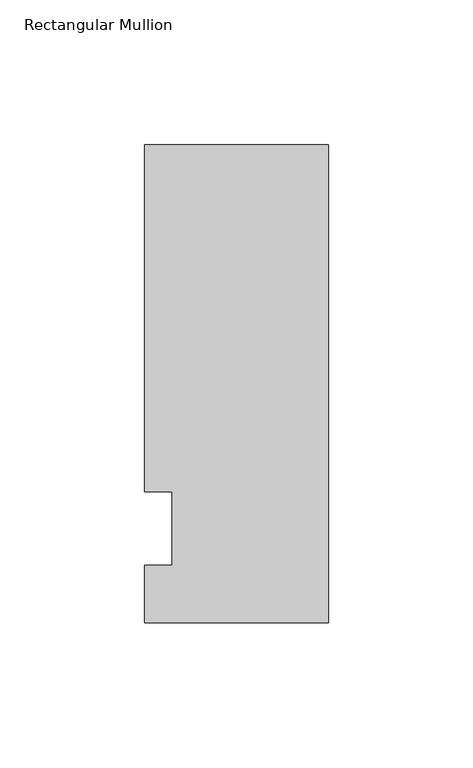
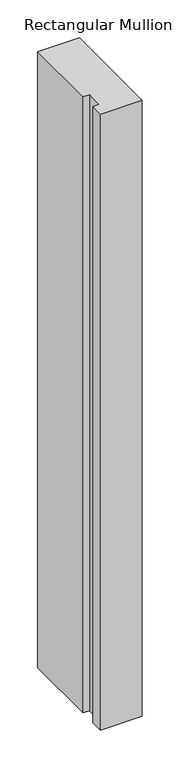
"""IFC4 building model written with IfcOpenShell, lengths in millimetres: member geometry, Rectangular Mullion."""

from ifc_helpers import new_model, si_unit, frame, origin, place, context, project, spatial, polyline, outline, extrude, source, transform, mapped, element, save


def rectangular_mullion_c3c4c673(model_context):
    return source(origin(), model_context, "Body", "SweptSolid", [
        extrude(outline(polyline([(-63.5, -32.54375), (-63.5, -12.7), (-53.975, -12.7), (-53.975, 12.7), (-63.5, 12.7), (-63.5, 132.55625), (0.0, 132.55625), (0.0, -32.54375), (-63.5, -32.54375)])), frame((0.0, 0.0, -990.6), z_axis=(0.0, 0.0, 1.0), x_axis=(1.0, 0.0, 0.0)), (0.0, 0.0, 1.0), 990.6),
    ])


if __name__ == "__main__":
    model = new_model("IFC4")
    model_context = context("Model", 3, world=origin())
    ifc_project = project(units=[si_unit("LENGTHUNIT", "METRE", prefix="MILLI")], contexts=[model_context])
    site = spatial("IfcSite", under=ifc_project)
    building = spatial("IfcBuilding", under=site)
    placement = place(None, origin())
    rectangular_mullion_shape = rectangular_mullion_c3c4c673(model_context)
    element("IfcMember", 1, ObjectType="Rectangular Mullion", at=placement, inside=building, context=model_context, shape_type="MappedRepresentation", body=[
        mapped(rectangular_mullion_shape, transform((0.0, 0.0, 0.0), x_axis=(1.0, 0.0, 0.0), y_axis=(0.0, 1.0, 0.0), z_axis=(0.0, 0.0, 1.0))),
    ])
    save(model, "model.ifc")
